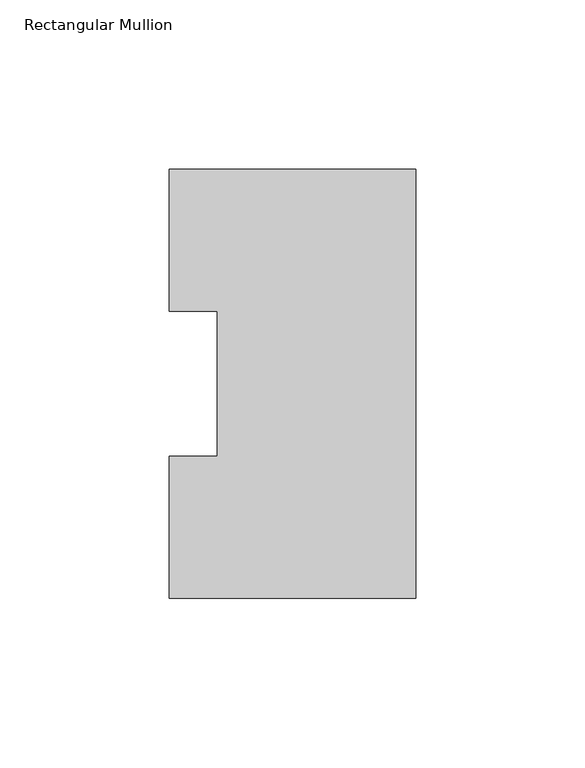
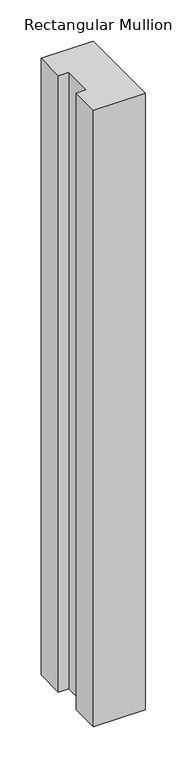
"""IFC4 building model written with IfcOpenShell, lengths in millimetres: member geometry, Rectangular Mullion."""

import ifcopenshell
import ifcopenshell.guid

model = None  # the IFC model being written
_history = None  # IfcOwnerHistory: only IFC2X3 demands one
_inside = {}  # id of a spatial element -> (the spatial element, [elements in it])
_under = {}  # id of a project, library or spatial element -> (it, [spatial elements below it])
_declared = {}  # id of a project -> (the project, [libraries it declares])
_typed = {}  # id of a type object -> (the type object, [elements of that type])
_made_of = {}  # id of a material, layer set ... -> (it, [elements and type objects made of it])


def new_model(schema):
    """Start an empty IFC model of exactly this schema.

    Asked for "IFC4X3", IfcOpenShell would pick the latest addendum, in which some entities
    have other attributes; the version numbers below select the first issue.
    IFC2X3 requires an IfcOwnerHistory on every rooted entity: one is made here for all.
    """
    global model, _history
    if schema == "IFC4X3":
        model = ifcopenshell.file(schema_version=(4, 3, 0, 0))
    else:
        model = ifcopenshell.file(schema=schema)
    _inside.clear()
    _under.clear()
    _declared.clear()
    _typed.clear()
    _made_of.clear()
    _history = None
    if model.schema == "IFC2X3":
        org = make("IfcOrganization", Name="unknown")
        user = make(
            "IfcPersonAndOrganization",
            ThePerson=make("IfcPerson", FamilyName="unknown"),
            TheOrganization=org,
        )
        app = make(
            "IfcApplication",
            ApplicationDeveloper=org,
            Version="unknown",
            ApplicationFullName="unknown",
            ApplicationIdentifier="unknown",
        )
        _history = make(
            "IfcOwnerHistory",
            OwningUser=user,
            OwningApplication=app,
            ChangeAction="ADDED",
            CreationDate=0,
        )
    return model


def make(cls, **values):
    """One entity of the class cls with the attributes given. An attribute that is None is left unset."""
    return model.create_entity(
        cls, **{name: value for name, value in values.items() if value is not None}
    )


def rooted(cls, **values):
    """An entity with a GlobalId (a new one), such as an element, a storey or a relation."""
    return make(cls, GlobalId=ifcopenshell.guid.new(), OwnerHistory=_history, **values)


def si_unit(unit_type, name, prefix=None):
    """IfcSIUnit, for example si_unit("LENGTHUNIT", "METRE", prefix="MILLI")."""
    return make("IfcSIUnit", UnitType=unit_type, Prefix=prefix, Name=name)


def assignment(units):
    """IfcUnitAssignment: the units of a project."""
    return None if units is None else make("IfcUnitAssignment", Units=units)


def point(xyz):
    """IfcCartesianPoint."""
    return None if xyz is None else make("IfcCartesianPoint", Coordinates=xyz)


def direction(xyz):
    """IfcDirection."""
    return None if xyz is None else make("IfcDirection", DirectionRatios=xyz)


def frame(location, z_axis=None, x_axis=None):
    """IfcAxis2Placement3D, a coordinate frame: its origin and axes. An axis left out is left unset."""
    return make(
        "IfcAxis2Placement3D",
        Location=point(location),
        Axis=direction(z_axis),
        RefDirection=direction(x_axis),
    )


def origin():
    """The frame at (0, 0, 0) with its axes left unset."""
    return frame((0.0, 0.0, 0.0))


def place(relative_to, where):
    """IfcLocalPlacement: puts the frame where relative to a parent placement (None: the world)."""
    return make(
        "IfcLocalPlacement", PlacementRelTo=relative_to, RelativePlacement=where
    )


def context(
    kind, dimensions, precision=None, world=None, true_north=None, identifier=None
):
    """IfcGeometricRepresentationContext, for example the 3D "Model" context."""
    return make(
        "IfcGeometricRepresentationContext",
        ContextIdentifier=identifier,
        ContextType=kind,
        CoordinateSpaceDimension=dimensions,
        Precision=precision,
        WorldCoordinateSystem=world,
        TrueNorth=true_north,
    )


def project(units=None, contexts=None):
    """IfcProject with its units and contexts."""
    return rooted(
        "IfcProject",
        Name="project",
        RepresentationContexts=contexts,
        UnitsInContext=assignment(units),
    )


def spatial(cls, under=None, at=None, **own):
    """A site, building, storey or space (cls), placed at a placement, below another one or the project."""
    s = rooted(cls, ObjectPlacement=at, **own)
    if under is not None:
        _under.setdefault(under.id(), (under, []))[1].append(s)
    return s


def polyline(points):
    """IfcPolyline through the points."""
    return make("IfcPolyline", Points=[point(p) for p in points])


def outline(outer, holes=None, kind="AREA"):
    """IfcArbitraryClosedProfileDef: a profile drawn as a closed curve; with holes, ...WithVoids."""
    if holes is None:
        return make("IfcArbitraryClosedProfileDef", ProfileType=kind, OuterCurve=outer)
    return make(
        "IfcArbitraryProfileDefWithVoids",
        ProfileType=kind,
        OuterCurve=outer,
        InnerCurves=holes,
    )


def extrude(swept, where, along, depth):
    """IfcExtrudedAreaSolid: the profile swept, set in the frame where, extruded along a direction by depth."""
    return make(
        "IfcExtrudedAreaSolid",
        SweptArea=swept,
        Position=where,
        ExtrudedDirection=direction(along),
        Depth=depth,
    )


def shape(context_of_items, identifier, shape_type, items):
    """IfcShapeRepresentation: the items that make up one representation, for example the "Body"."""
    return make(
        "IfcShapeRepresentation",
        ContextOfItems=context_of_items,
        RepresentationIdentifier=identifier,
        RepresentationType=shape_type,
        Items=items,
    )


def source(mapping_origin, context_of_items, identifier, shape_type, items):
    """IfcRepresentationMap: a shape defined once, which mapped items show again and again."""
    return make(
        "IfcRepresentationMap",
        MappingOrigin=mapping_origin,
        MappedRepresentation=shape(context_of_items, identifier, shape_type, items),
    )


def transform(
    local_origin,
    x_axis=None,
    y_axis=None,
    z_axis=None,
    scale=None,
    scale2=None,
    scale3=None,
    uniform=True,
):
    """IfcCartesianTransformationOperator3D, or its non-uniform kind. x_axis, y_axis, z_axis: its Axis1, 2, 3."""
    if uniform:
        return make(
            "IfcCartesianTransformationOperator3D",
            Axis1=direction(x_axis),
            Axis2=direction(y_axis),
            LocalOrigin=point(local_origin),
            Scale=scale,
            Axis3=direction(z_axis),
        )
    return make(
        "IfcCartesianTransformationOperator3DnonUniform",
        Axis1=direction(x_axis),
        Axis2=direction(y_axis),
        LocalOrigin=point(local_origin),
        Scale=scale,
        Axis3=direction(z_axis),
        Scale2=scale2,
        Scale3=scale3,
    )


def mapped(mapping_source, mapping_target):
    """IfcMappedItem: shows the shape of a source again, moved by a transform."""
    return make(
        "IfcMappedItem", MappingSource=mapping_source, MappingTarget=mapping_target
    )


def made_of(thing, what):
    """Note that an element or type object is made of a material, layer set ...; save() writes the relation."""
    if what is not None:
        _made_of.setdefault(what.id(), (what, []))[1].append(thing)
    return thing


def element(
    cls,
    number,
    at=None,
    inside=None,
    cuts=None,
    type_object=None,
    material=None,
    context=None,
    identifier="Body",
    shape_type=None,
    held_by="IfcProductDefinitionShape",
    body=None,
    shapes=None,
    **own,
):
    """One element of the class cls, such as IfcWall. Its Tag is "e" and its number.

    at: its placement. inside: the storey or other place that contains it. cuts: it is an
    opening in that element (IfcRelVoidsElement). A single representation is given by context,
    identifier, shape_type and body (its items); several are given by shapes. held_by: the class
    of the entity that holds the representations. save() writes the other relations.
    """
    e = rooted(cls, Tag="e%d" % number, ObjectPlacement=at, **own)
    if body is not None:
        shapes = [shape(context, identifier, shape_type, body)]
    if shapes is not None:
        e.Representation = make(held_by, Representations=shapes)
    if inside is not None:
        _inside.setdefault(inside.id(), (inside, []))[1].append(e)
    if cuts is not None:
        rooted(
            "IfcRelVoidsElement", RelatingBuildingElement=cuts, RelatedOpeningElement=e
        )
    if type_object is not None:
        _typed.setdefault(type_object.id(), (type_object, []))[1].append(e)
    return made_of(e, material)


def aggregate(whole, parts):
    """IfcRelAggregates: a whole, such as a stair, and the parts it consists of."""
    return rooted("IfcRelAggregates", RelatingObject=whole, RelatedObjects=parts)


def save(model, path):
    """Write the relations noted so far, then the file.

    IfcRelAggregates (storeys below a building ...), IfcRelContainedInSpatialStructure (elements
    in a storey), IfcRelDefinesByType, IfcRelAssociatesMaterial and IfcRelDeclares: one each for
    every whole, place, type object, material and project.
    """
    for whole, parts in _under.values():
        aggregate(whole, parts)
    for where, things in _inside.values():
        rooted(
            "IfcRelContainedInSpatialStructure",
            RelatedElements=things,
            RelatingStructure=where,
        )
    for kind, things in _typed.values():
        rooted("IfcRelDefinesByType", RelatedObjects=things, RelatingType=kind)
    for what, things in _made_of.values():
        rooted("IfcRelAssociatesMaterial", RelatedObjects=things, RelatingMaterial=what)
    for by, libraries in _declared.values():
        rooted("IfcRelDeclares", RelatingContext=by, RelatedDefinitions=libraries)
    model.write(path)


def rectangular_mullion_23f0b6a6(model_context):
    return source(origin(), model_context, "Body", "SweptSolid", [
        extrude(outline(polyline([(-73.025, 127.00635), (0.0, 127.00635), (0.0, 0.00635), (-73.025, 0.00635), (-73.025, 42.08145), (-58.7375, 42.08145), (-58.7375, 84.93125), (-73.025, 84.93125), (-73.025, 127.00635)])), frame((0.0, 0.0, -914.4), z_axis=(0.0, 0.0, 1.0), x_axis=(1.0, 0.0, 0.0)), (0.0, 0.0, 1.0), 914.4),
    ])


if __name__ == "__main__":
    model = new_model("IFC4")
    model_context = context("Model", 3, world=origin())
    ifc_project = project(units=[si_unit("LENGTHUNIT", "METRE", prefix="MILLI")], contexts=[model_context])
    site = spatial("IfcSite", under=ifc_project)
    building = spatial("IfcBuilding", under=site)
    placement = place(None, origin())
    rectangular_mullion_shape = rectangular_mullion_23f0b6a6(model_context)
    element("IfcMember", 1, ObjectType="Rectangular Mullion", at=placement, inside=building, context=model_context, shape_type="MappedRepresentation", body=[
        mapped(rectangular_mullion_shape, transform((0.0, 0.0, 0.0), x_axis=(1.0, 0.0, 0.0), y_axis=(0.0, 1.0, 0.0), z_axis=(0.0, 0.0, 1.0))),
    ])
    save(model, "model.ifc")
